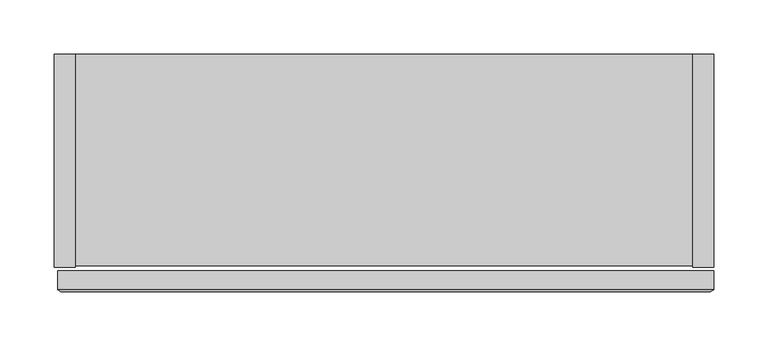
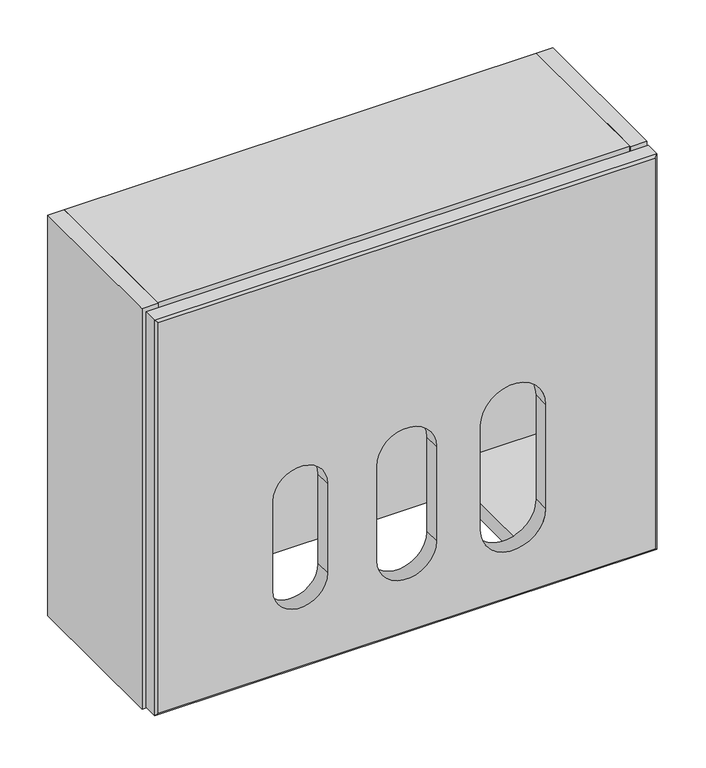
"""IFC4 building model written with IfcOpenShell, lengths in millimetres: furniture geometry."""

from ifc_helpers import new_model, si_unit, frame, origin, place, context, project, spatial, polyline, circle_curve, outline, extrude, source, transform, mapped, element, save
from ifc_brep_helpers import plane_surface, revolved_surface, advanced_brep


def furniture_56c43193(model_context):
    return source(origin(), model_context, "Body", "SolidModel", [
        extrude(outline(polyline([(-437.6428362, 90.2328644), (-311.6834, 90.2328644), (-311.6834, -85.5446699), (-437.6428362, -85.5446699), (-437.6428362, 90.2328644)])), frame((0.0, 0.0, 1629.9451411), z_axis=(0.0, 0.0, 1.0), x_axis=(1.0, 0.0, 0.0)), (0.0, 0.0, 1.0), 19.5572001),
        extrude(outline(polyline([(6.8834, 90.2328644), (132.8428362, 90.2328644), (132.8428362, -85.5446699), (6.8834, -85.5446699), (6.8834, 90.2328644)])), frame((0.0, 0.0, 1629.9451411), z_axis=(0.0, 0.0, 1.0), x_axis=(1.0, 0.0, 0.0)), (0.0, 0.0, 1.0), 19.5572001),
        advanced_brep(
        [(-450.8501575, -109.7931898, 2112.6545533), (-450.8501575, -109.7931898, 1614.4528818), (149.2248425, -109.7931898, 1614.4528818), (149.2248425, -109.7931898, 2112.6545533), (-186.8350798, -109.7931898, 1837.4753031), (-114.7902351, -109.7931898, 1837.4753031), (-114.7902351, -109.7931898, 1716.8253031), (-186.8350798, -109.7931898, 1716.8253031), (-246.3154511, -109.7931898, 1722.0232417), (-312.1772377, -109.7931898, 1722.0232417), (-312.1772377, -109.7931898, 1836.3232417), (-246.3154511, -109.7931898, 1836.3232417), (16.923821, -109.7931898, 1711.7788452), (-61.5708063, -109.7931898, 1711.7788452), (-61.5708063, -109.7931898, 1845.1288452), (16.923821, -109.7931898, 1845.1288452), (-454.0251575, -107.9688826, 2115.8260167), (-454.0251575, -107.9688826, 1611.2845069), (152.3998425, -107.9688826, 1611.2845069), (152.3998425, -107.9688826, 2115.8260167), (-114.7902351, -90.2351898, 1837.4753031), (-186.8350798, -90.2351898, 1837.4753031), (-186.8350798, -90.2351898, 1716.8253031), (-114.7902351, -90.2351898, 1716.8253031), (-312.1772377, -90.2351898, 1722.0232417), (-246.3154511, -90.2351898, 1722.0232417), (-312.1772377, -90.2350813, 1836.3232417), (-246.3154511, -90.2350813, 1836.3232417), (-61.5708063, -90.2351898, 1711.7788452), (16.923821, -90.2351898, 1711.7788452), (-61.5708063, -90.2350813, 1845.1288452), (16.923821, -90.2350813, 1845.1288452), (152.3998425, -90.2350813, 1611.2845069), (152.3998425, -90.2350813, 2115.8260167), (-454.0251575, -90.2350813, 2115.8260167), (-454.0251575, -90.2350813, 1611.2845069)],
        [
            (0, 1),
            (1, 2),
            (2, 3),
            (3, 0),
            (4, 5, circle_curve(frame((-150.8126575, -109.7931898, 1837.4753031), z_axis=(0.0, 1.0, 0.0), x_axis=(-1.0, 0.0, 0.0)), 36.0224224)),
            (5, 6),
            (6, 7, circle_curve(frame((-150.8126575, -109.7931898, 1716.8253031), z_axis=(0.0, 1.0, 0.0), x_axis=(-1.0, 0.0, 0.0)), 36.0224224)),
            (7, 4),
            (8, 9, circle_curve(frame((-279.2463444, -109.7931898, 1722.0232417), z_axis=(0.0, 1.0, 0.0), x_axis=(-1.0, 0.0, 0.0)), 32.9308933)),
            (9, 10),
            (10, 11, circle_curve(frame((-279.2463444, -109.7931898, 1836.3232417), z_axis=(0.0, 1.0, 0.0), x_axis=(-1.0, 0.0, 0.0)), 32.9308933)),
            (11, 8),
            (12, 13, circle_curve(frame((-22.3234927, -109.7931898, 1711.7788452), z_axis=(0.0, 1.0, 0.0), x_axis=(-1.0, 0.0, 0.0)), 39.2473137)),
            (13, 14),
            (14, 15, circle_curve(frame((-22.3234927, -109.7931898, 1845.1288452), z_axis=(0.0, 1.0, 0.0), x_axis=(-1.0, 0.0, 0.0)), 39.2473137)),
            (15, 12),
            (0, 16),
            (16, 17),
            (17, 1),
            (17, 18),
            (18, 2),
            (18, 19),
            (19, 3),
            (19, 16),
            (20, 5),
            (4, 21),
            (21, 20, circle_curve(frame((-150.8126575, -90.2350813, 1837.4753031), z_axis=(0.0, 1.0, 0.0), x_axis=(-1.0, 0.0, 0.0)), 36.0224224)),
            (7, 22),
            (22, 21),
            (6, 23),
            (23, 22, circle_curve(frame((-150.8126575, -90.2350813, 1716.8253031), z_axis=(0.0, 1.0, 0.0), x_axis=(-1.0, 0.0, 0.0)), 36.0224224)),
            (20, 23),
            (24, 9),
            (8, 25),
            (25, 24, circle_curve(frame((-279.2463444, -90.2350813, 1722.0232417), z_axis=(0.0, 1.0, 0.0), x_axis=(-1.0, 0.0, 0.0)), 32.9308933)),
            (24, 26),
            (26, 10),
            (26, 27, circle_curve(frame((-279.2463444, -90.2350813, 1836.3232417), z_axis=(0.0, 1.0, 0.0), x_axis=(-1.0, 0.0, 0.0)), 32.9308933)),
            (27, 11),
            (27, 25),
            (28, 13),
            (12, 29),
            (29, 28, circle_curve(frame((-22.3234927, -90.2350813, 1711.7788452), z_axis=(0.0, 1.0, 0.0), x_axis=(-1.0, 0.0, 0.0)), 39.2473137)),
            (28, 30),
            (30, 14),
            (30, 31, circle_curve(frame((-22.3234927, -90.2350813, 1845.1288452), z_axis=(0.0, 1.0, 0.0), x_axis=(-1.0, 0.0, 0.0)), 39.2473137)),
            (31, 15),
            (31, 29),
            (18, 32),
            (32, 33),
            (33, 19),
            (16, 34),
            (34, 35),
            (35, 17),
            (35, 32),
            (34, 33),
        ],
        [
            plane_surface(frame((-150.8126575, -109.7931898, 1863.5537176), z_axis=(0.0, -1.0, 0.0), x_axis=(0.0, 0.0, -1.0))),
            plane_surface(frame((-454.0251575, -107.9688826, 1863.5552618), z_axis=(-0.4982006522762486, -0.8670617683138384, 0.0), x_axis=(0.0, 0.0, -1.0))),
            plane_surface(frame((-150.8126575, -107.9688826, 1611.2845069), z_axis=(0.0, -0.8666116478902123, -0.49898321789516215), x_axis=(1.0, 0.0, 0.0))),
            plane_surface(frame((152.3998425, -107.9688826, 1863.5552618), z_axis=(0.4982006522763809, -0.8670617683137625, 0.0), x_axis=(0.0, 0.0, 1.0))),
            plane_surface(frame((-150.8126575, -107.9688826, 2115.8260167), z_axis=(0.0, -0.8668217483884806, 0.49861814700303253), x_axis=(-1.0, 0.0, 0.0))),
            revolved_surface(polyline([(-186.8350799, -90.2350813, 1837.4753031), (-186.8350799, -109.7931898, 1837.4753031)]), (-150.8126575, -109.7931898, 1837.4753031), (0.0, 1.0, 0.0)),
            plane_surface(frame((-186.8350798, -90.2351898, 1716.8253031), z_axis=(1.0, 0.0, 0.0), x_axis=(0.0, -1.0, 0.0))),
            revolved_surface(polyline([(-186.8350799, -90.2350813, 1716.8253031), (-186.8350799, -109.7931898, 1716.8253031)]), (-150.8126575, -109.7931898, 1716.8253031), (0.0, 1.0, 0.0)),
            plane_surface(frame((-114.7902351, -90.2351898, 1837.4753031), z_axis=(-1.0, 0.0, 0.0), x_axis=(0.0, -1.0, 0.0))),
            revolved_surface(polyline([(-312.1772377, -90.2350813, 1722.0232417), (-312.1772377, -109.7931898, 1722.0232417)]), (-279.2463444, -90.2351898, 1722.0232417), (0.0, 1.0, 0.0)),
            plane_surface(frame((-312.1772377, -90.2351898, 1722.0232417), z_axis=(1.0, 0.0, 0.0), x_axis=(0.0, -1.0, 0.0))),
            revolved_surface(polyline([(-312.1772377, -90.2350813, 1836.3232417), (-312.1772377, -109.7931898, 1836.3232417)]), (-279.2463444, -90.2351898, 1836.3232417), (0.0, 1.0, 0.0)),
            plane_surface(frame((-246.3154511, -90.2351898, 1836.3232417), z_axis=(-1.0, 0.0, 0.0), x_axis=(0.0, -1.0, 0.0))),
            revolved_surface(polyline([(-61.570806399999995, -90.2350813, 1711.7788452), (-61.570806399999995, -109.7931898, 1711.7788452)]), (-22.3234927, -90.2351898, 1711.7788452), (0.0, 1.0, 0.0)),
            plane_surface(frame((-61.5708063, -90.2351898, 1711.7788452), z_axis=(1.0, 0.0, 0.0), x_axis=(0.0, -1.0, 0.0))),
            revolved_surface(polyline([(-61.570806399999995, -90.2350813, 1845.1288452), (-61.570806399999995, -109.7931898, 1845.1288452)]), (-22.3234927, -90.2351898, 1845.1288452), (0.0, 1.0, 0.0)),
            plane_surface(frame((16.923821, -90.2351898, 1845.1288452), z_axis=(-1.0, 0.0, 0.0), x_axis=(0.0, -1.0, 0.0))),
            plane_surface(frame((152.3998425, -107.9688826, 2115.8260167), z_axis=(1.0, 0.0, 0.0), x_axis=(0.0, 0.0, -1.0))),
            plane_surface(frame((-454.0251575, -107.9688826, 2115.8260167), z_axis=(-1.0, 0.0, 0.0), x_axis=(0.0, 0.0, 1.0))),
            plane_surface(frame((152.3998425, -107.9688826, 1611.2845069), z_axis=(0.0, 0.0, -1.0), x_axis=(-1.0, 0.0, 0.0))),
            plane_surface(frame((152.3998425, -90.2350813, 1611.2845069), z_axis=(0.0, 1.0, 0.0), x_axis=(-1.0, 0.0, 0.0))),
            plane_surface(frame((152.3998425, -90.2350813, 2115.8260167), z_axis=(0.0, 0.0, 1.0), x_axis=(-1.0, 0.0, 0.0))),
        ],
        [
            (0, [[1, 2, 3, 4], [5, 6, 7, 8], [9, 10, 11, 12], [13, 14, 15, 16]]),
            (1, [[-1, 17, 18, 19]]),
            (2, [[-2, -19, 20, 21]]),
            (3, [[-3, -21, 22, 23]]),
            (4, [[-4, -23, 24, -17]]),
            (5, [[25, -5, 26, 27]]),
            (6, [[-26, -8, 28, 29]]),
            (7, [[-28, -7, 30, 31]]),
            (8, [[-25, 32, -30, -6]]),
            (9, [[33, -9, 34, 35]]),
            (10, [[-33, 36, 37, -10]]),
            (11, [[-37, 38, 39, -11]]),
            (12, [[-34, -12, -39, 40]]),
            (13, [[41, -13, 42, 43]]),
            (14, [[-41, 44, 45, -14]]),
            (15, [[-45, 46, 47, -15]]),
            (16, [[-42, -16, -47, 48]]),
            (17, [[49, 50, 51, -22]]),
            (18, [[52, 53, 54, -18]]),
            (19, [[-49, -20, -54, 55]]),
            (20, [[-50, -55, -53, 56], [-27, -29, -31, -32], [-35, -40, -38, -36], [-43, -48, -46, -44]]),
            (21, [[-51, -56, -52, -24]]),
        ],
    ),
        extrude(outline(polyline([(132.8428362, 109.7898102), (132.8428362, 90.2328644), (-437.6428362, 90.2328644), (-437.6428362, 109.7898102), (132.8428362, 109.7898102)])), frame((0.0, 0.0, 1608.102034), z_axis=(0.0, 0.0, 1.0), x_axis=(1.0, 0.0, 0.0)), (0.0, 0.0, 1.0), 491.3434056),
        extrude(outline(polyline([(-457.2, 109.7898102), (-437.6428362, 109.7898102), (-437.6428362, -87.0689955), (-457.2, -87.0689955), (-457.2, 109.7898102)])), frame((0.0, 0.0, 1608.102034), z_axis=(0.0, 0.0, 1.0), x_axis=(1.0, 0.0, 0.0)), (0.0, 0.0, 1.0), 510.9005875),
        extrude(outline(polyline([(132.8428362, 109.7898102), (152.4, 109.7898102), (152.4, -87.0689955), (132.8428362, -87.0689955), (132.8428362, 109.7898102)])), frame((0.0, 0.0, 1608.102034), z_axis=(0.0, 0.0, 1.0), x_axis=(1.0, 0.0, 0.0)), (0.0, 0.0, 1.0), 510.9005875),
        extrude(outline(polyline([(132.8428362, 109.7898102), (132.8428362, -85.5446699), (-437.6428362, -85.5446699), (-437.6428362, 109.7898102), (132.8428362, 109.7898102)])), frame((0.0, 0.0, 2099.4454395), z_axis=(0.0, 0.0, 1.0), x_axis=(1.0, 0.0, 0.0)), (0.0, 0.0, 1.0), 19.557182),
    ])


if __name__ == "__main__":
    model = new_model("IFC4")
    model_context = context("Model", 3, world=origin())
    ifc_project = project(units=[si_unit("LENGTHUNIT", "METRE", prefix="MILLI")], contexts=[model_context])
    site = spatial("IfcSite", under=ifc_project)
    building = spatial("IfcBuilding", under=site)
    placement = place(None, origin())
    furniture_shape = furniture_56c43193(model_context)
    element("IfcFurniture", 1, at=placement, inside=building, context=model_context, shape_type="MappedRepresentation", body=[
        mapped(furniture_shape, transform((0.0, 0.0, 0.0), x_axis=(1.0, 0.0, 0.0), y_axis=(0.0, 1.0, 0.0), z_axis=(0.0, 0.0, 1.0))),
    ])
    save(model, "model.ifc")
